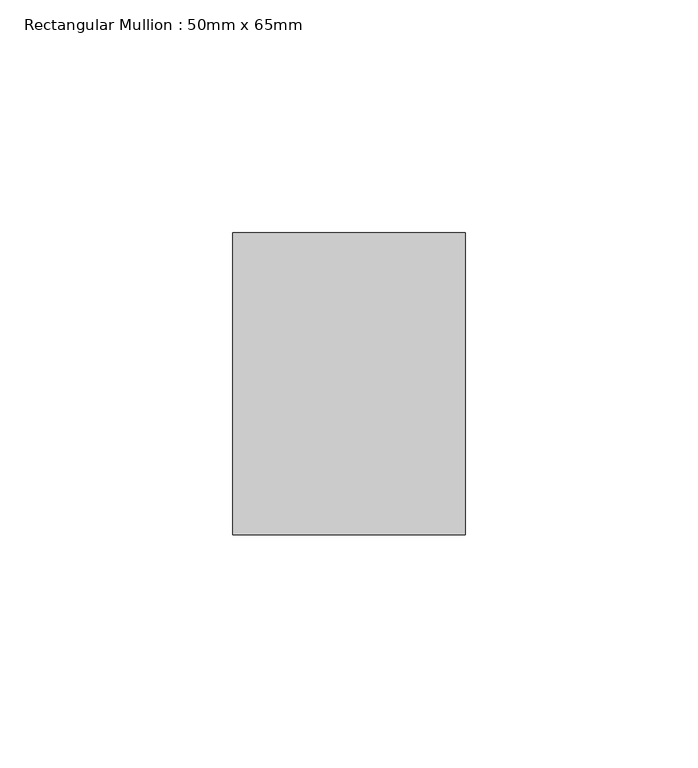
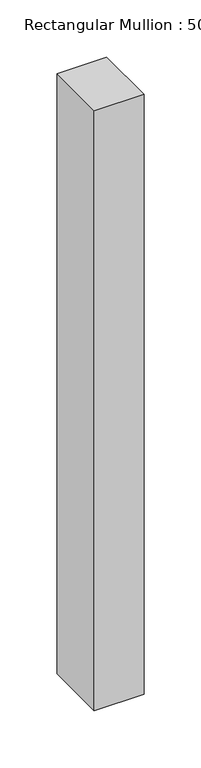
"""IFC4 building model written with IfcOpenShell, lengths in millimetres: member geometry, Rectangular Mullion : 50mm x 65mm."""

from ifc_helpers import new_model, si_unit, frame, origin, place, context, project, spatial, polyline, outline, extrude, source, transform, mapped, element, save


def rectangular_mullion_50mm_x_65mm_6b7a15c6(model_context):
    return source(origin(), model_context, "Body", "SweptSolid", [
        extrude(outline(polyline([(25.0, 32.5), (25.0, -32.5), (-25.0, -32.5), (-25.0, 32.5), (25.0, 32.5)])), frame((0.0, 0.0, -639.7123816), z_axis=(0.0, 0.0, 1.0), x_axis=(1.0, 0.0, 0.0)), (0.0, 0.0, 1.0), 639.7123816),
    ])


if __name__ == "__main__":
    model = new_model("IFC4")
    model_context = context("Model", 3, world=origin())
    ifc_project = project(units=[si_unit("LENGTHUNIT", "METRE", prefix="MILLI")], contexts=[model_context])
    site = spatial("IfcSite", under=ifc_project)
    building = spatial("IfcBuilding", under=site)
    placement = place(None, origin())
    rectangular_mullion_50mm_x_65mm_shape = rectangular_mullion_50mm_x_65mm_6b7a15c6(model_context)
    element("IfcMember", 1, ObjectType="Rectangular Mullion : 50mm x 65mm", at=placement, inside=building, context=model_context, shape_type="MappedRepresentation", body=[
        mapped(rectangular_mullion_50mm_x_65mm_shape, transform((0.0, 0.0, 0.0), x_axis=(1.0, 0.0, 0.0), y_axis=(0.0, 1.0, 0.0), z_axis=(0.0, 0.0, 1.0))),
    ])
    save(model, "model.ifc")
